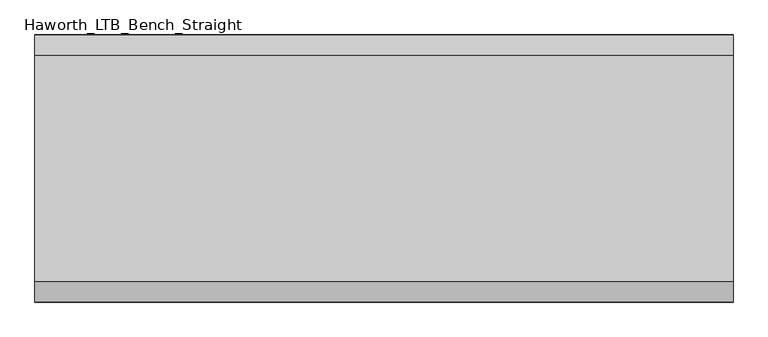
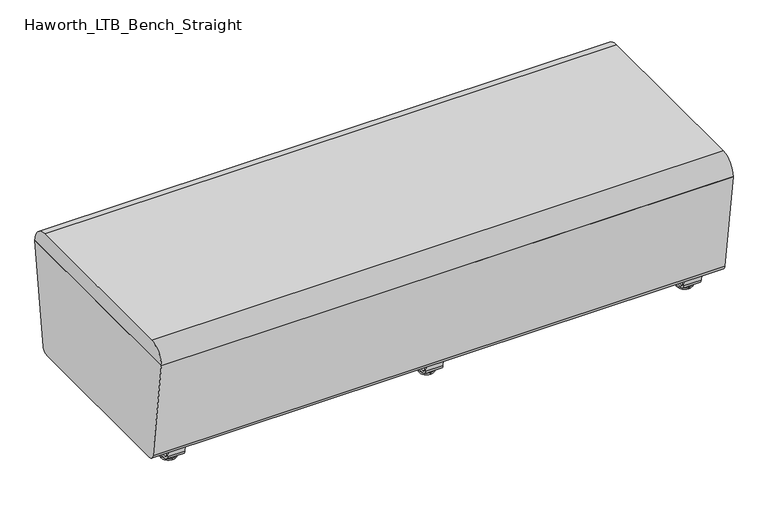
"""IFC4 building model written with IfcOpenShell, lengths in millimetres: furniture geometry, Haworth_LTB_Bench_Straight."""

from ifc_helpers import new_model, si_unit, point, frame, frame_2d, origin, place, context, project, spatial, polyline, circle_curve, ellipse_curve, trimmed, segment, composite_curve, outline, extrude, source, transform, mapped, element, save
from ifc_brep_helpers import plane_surface, cylinder_surface, revolved_surface, advanced_brep


def haworth_ltb_bench_straight_dc7d2ade(model_context):
    return source(origin(), model_context, "Body", "SolidModel", [
        advanced_brep(
        [(0.0, -211.0425052, 7.8133431), (0.0, -227.0355515, 7.8133431), (0.0, -223.8015284, 7.8133431), (0.0, -214.2765284, 7.8133431), (0.0, -197.1001513, 4.0775), (0.0, -240.9779054, 4.0775), (0.0, -197.5107026, 0.0), (0.0, -240.5673542, 0.0), (0.0, -219.0390284, 0.0), (0.0, -214.2765284, 50.0000004), (0.0, -223.8015284, 50.0000004), (0.0, -219.0390284, 50.0000004)],
        [
            (0, 1, circle_curve(frame((0.0, -219.0390284, 7.8133431), z_axis=(0.0, 0.0, 1.0), x_axis=(0.0, -1.0, 0.0)), 7.9965232)),
            (1, 2),
            (2, 3, circle_curve(frame((0.0, -219.0390284, 7.8133431), z_axis=(0.0, 0.0, -1.0), x_axis=(0.0, -1.0, 0.0)), 4.7625)),
            (3, 0),
            (1, 0, circle_curve(frame((0.0, -219.0390284, 7.8133431), z_axis=(0.0, 0.0, 1.0), x_axis=(0.0, -1.0, 0.0)), 7.9965232)),
            (3, 2, circle_curve(frame((0.0, -219.0390284, 7.8133431), z_axis=(0.0, 0.0, -1.0), x_axis=(0.0, -1.0, 0.0)), 4.7625)),
            (4, 5, circle_curve(frame((0.0, -219.0390284, 4.0775), z_axis=(0.0, 0.0, 1.0), x_axis=(0.0, -1.0, 0.0)), 21.9388771)),
            (5, 1),
            (0, 4),
            (5, 4, circle_curve(frame((0.0, -219.0390284, 4.0775), z_axis=(0.0, 0.0, 1.0), x_axis=(0.0, -1.0, 0.0)), 21.9388771)),
            (6, 7, circle_curve(frame((0.0, -219.0390284, 0.0), z_axis=(0.0, 0.0, 1.0), x_axis=(0.0, -1.0, 0.0)), 21.5283258)),
            (7, 5, circle_curve(frame((0.0, -240.4405822, 2.0721829), z_axis=(-1.0, 0.0, 0.0), x_axis=(0.0, 1.0, 0.0)), 2.0760571)),
            (4, 6, circle_curve(frame((0.0, -197.6374745, 2.0721829), z_axis=(-1.0, 0.0, 0.0), x_axis=(0.0, -1.0, 0.0)), 2.0760571)),
            (7, 6, circle_curve(frame((0.0, -219.0390284, 0.0), z_axis=(0.0, 0.0, 1.0), x_axis=(0.0, -1.0, 0.0)), 21.5283258)),
            (8, 7),
            (6, 8),
            (9, 10, circle_curve(frame((0.0, -219.0390284, 50.0000004), z_axis=(0.0, 0.0, 1.0), x_axis=(0.0, -1.0, 0.0)), 4.7625)),
            (10, 11),
            (11, 9),
            (10, 9, circle_curve(frame((0.0, -219.0390284, 50.0000004), z_axis=(0.0, 0.0, 1.0), x_axis=(0.0, -1.0, 0.0)), 4.7625)),
            (2, 10),
            (9, 3),
        ],
        [
            plane_surface(frame((0.0, -219.0390284, 7.8133431), z_axis=(0.0, 0.0, 1.0), x_axis=(0.0, -1.0, 0.0))),
            revolved_surface(polyline([(0.0, -227.0355515, 7.8133431), (0.0, -240.9779054, 4.0775)]), (0.0, -219.0390284, 0.0), (0.0, 0.0, -1.0)),
            revolved_surface(trimmed(ellipse_curve(frame((0.0, -240.4405822, 2.0721829), z_axis=(1.0, 0.0, 0.0), x_axis=(0.0, 1.0, 0.0)), 2.0760571, 2.0760571), [point((0.0, -240.9779054, 4.0775))], [point((0.0, -240.5673542, 0.0))], True, "CARTESIAN"), (0.0, -219.0390284, 0.0), (0.0, 0.0, -1.0)),
            plane_surface(frame((0.0, -219.0390284, 0.0), z_axis=(0.0, 0.0, -1.0), x_axis=(0.0, -1.0, 0.0))),
            plane_surface(frame((0.0, -219.0390284, 50.0000004), z_axis=(0.0, 0.0, 1.0), x_axis=(0.0, -1.0, 0.0))),
            cylinder_surface(frame((0.0, -219.0390284, 0.0), z_axis=(0.0, 0.0, -1.0), x_axis=(0.0, -1.0, 0.0)), 4.7625),
        ],
        [
            (0, [[1, 2, 3, 4]]),
            (0, [[5, -4, 6, -2]]),
            (1, [[7, 8, -1, 9]]),
            (1, [[10, -9, -5, -8]]),
            (2, [[11, 12, -7, 13]]),
            (2, [[14, -13, -10, -12]]),
            (3, [[15, -11, 16]]),
            (3, [[-16, -14, -15]]),
            (4, [[17, 18, 19]]),
            (4, [[20, -19, -18]]),
            (5, [[-3, 21, -17, 22]]),
            (5, [[-6, -22, -20, -21]]),
        ],
    ),
        advanced_brep(
        [(0.0, 214.2765284, 7.8133431), (0.0, 223.8015284, 7.8133431), (0.0, 227.0355515, 7.8133431), (0.0, 211.0425052, 7.8133431), (0.0, 240.9779054, 4.0775), (0.0, 197.1001513, 4.0775), (0.0, 240.5673542, 0.0), (0.0, 197.5107026, 0.0), (0.0, 219.0390284, 0.0), (0.0, 219.0390284, 50.0000004), (0.0, 223.8015284, 50.0000004), (0.0, 214.2765284, 50.0000004)],
        [
            (0, 1, circle_curve(frame((0.0, 219.0390284, 7.8133431), z_axis=(0.0, 0.0, -1.0), x_axis=(0.0, 1.0, 0.0)), 4.7625)),
            (1, 2),
            (2, 3, circle_curve(frame((0.0, 219.0390284, 7.8133431), z_axis=(0.0, 0.0, 1.0), x_axis=(0.0, 1.0, 0.0)), 7.9965232)),
            (3, 0),
            (1, 0, circle_curve(frame((0.0, 219.0390284, 7.8133431), z_axis=(0.0, 0.0, -1.0), x_axis=(0.0, 1.0, 0.0)), 4.7625)),
            (3, 2, circle_curve(frame((0.0, 219.0390284, 7.8133431), z_axis=(0.0, 0.0, 1.0), x_axis=(0.0, 1.0, 0.0)), 7.9965232)),
            (2, 4),
            (4, 5, circle_curve(frame((0.0, 219.0390284, 4.0775), z_axis=(0.0, 0.0, 1.0), x_axis=(0.0, 1.0, 0.0)), 21.9388771)),
            (5, 3),
            (5, 4, circle_curve(frame((0.0, 219.0390284, 4.0775), z_axis=(0.0, 0.0, 1.0), x_axis=(0.0, 1.0, 0.0)), 21.9388771)),
            (4, 6, circle_curve(frame((0.0, 240.4405822, 2.0721829), z_axis=(-1.0, 0.0, 0.0), x_axis=(0.0, -1.0, 0.0)), 2.0760571)),
            (6, 7, circle_curve(frame((0.0, 219.0390284, 0.0), z_axis=(0.0, 0.0, 1.0), x_axis=(0.0, 1.0, 0.0)), 21.5283258)),
            (7, 5, circle_curve(frame((0.0, 197.6374745, 2.0721829), z_axis=(-1.0, 0.0, 0.0), x_axis=(0.0, 1.0, 0.0)), 2.0760571)),
            (7, 6, circle_curve(frame((0.0, 219.0390284, 0.0), z_axis=(0.0, 0.0, 1.0), x_axis=(0.0, 1.0, 0.0)), 21.5283258)),
            (6, 8),
            (8, 7),
            (9, 10),
            (10, 11, circle_curve(frame((0.0, 219.0390284, 50.0000004), z_axis=(0.0, 0.0, 1.0), x_axis=(0.0, 1.0, 0.0)), 4.7625)),
            (11, 9),
            (11, 10, circle_curve(frame((0.0, 219.0390284, 50.0000004), z_axis=(0.0, 0.0, 1.0), x_axis=(0.0, 1.0, 0.0)), 4.7625)),
            (10, 1),
            (0, 11),
        ],
        [
            plane_surface(frame((0.0, 219.0390284, 7.8133431), z_axis=(0.0, 0.0, 1.0), x_axis=(0.0, 1.0, 0.0))),
            revolved_surface(polyline([(0.0, 240.9779054, 4.0775), (0.0, 227.0355515, 7.8133431)]), (0.0, 219.0390284, 0.0), (0.0, 0.0, 1.0)),
            revolved_surface(trimmed(ellipse_curve(frame((0.0, 240.4405822, 2.0721829), z_axis=(1.0, 0.0, 0.0), x_axis=(0.0, -1.0, 0.0)), 2.0760571, 2.0760571), [point((0.0, 240.5673542, 0.0))], [point((0.0, 240.9779054, 4.0775))], True, "CARTESIAN"), (0.0, 219.0390284, 0.0), (0.0, 0.0, 1.0)),
            plane_surface(frame((0.0, 219.0390284, 0.0), z_axis=(0.0, 0.0, -1.0), x_axis=(0.0, 1.0, 0.0))),
            plane_surface(frame((0.0, 219.0390284, 50.0000004), z_axis=(0.0, 0.0, 1.0), x_axis=(0.0, 1.0, 0.0))),
            cylinder_surface(frame((0.0, 219.0390284, 0.0), z_axis=(0.0, 0.0, 1.0), x_axis=(0.0, 1.0, 0.0)), 4.7625),
        ],
        [
            (0, [[1, 2, 3, 4]]),
            (0, [[5, -4, 6, -2]]),
            (1, [[-3, 7, 8, 9]]),
            (1, [[-6, -9, 10, -7]]),
            (2, [[-8, 11, 12, 13]]),
            (2, [[-10, -13, 14, -11]]),
            (3, [[-12, 15, 16]]),
            (3, [[-14, -16, -15]]),
            (4, [[17, 18, 19]]),
            (4, [[-19, 20, -17]]),
            (5, [[-18, 21, -1, 22]]),
            (5, [[-20, -22, -5, -21]]),
        ],
    ),
        extrude(outline(composite_curve([segment(polyline([(264.8158944, 62.9950557), (259.8853496, 27.9124042)]), True, "CONTINUOUS"), segment(trimmed(circle_curve(frame_2d((245.0313276, 30.0000007)), 15.000001), [point((259.8853496, 27.9124042))], [point((245.0313276, 14.9999997))], False, "CARTESIAN"), True, "CONTINUOUS"), segment(polyline([(245.0313276, 14.9999997), (-245.0313276, 14.9999997)]), True, "CONTINUOUS"), segment(trimmed(circle_curve(frame_2d((-245.0313276, 30.0000007)), 15.000001), [point((-245.0313276, 14.9999997))], [point((-259.8853496, 27.9124042))], False, "CARTESIAN"), True, "CONTINUOUS"), segment(polyline([(-259.8853496, 27.9124042), (-264.8158944, 62.9950557), (-259.1812615, 63.7869505), (-254.2507241, 28.7043023)]), True, "CONTINUOUS"), segment(trimmed(circle_curve(frame_2d((-245.0313262, 30.0000023)), 9.310002), [point((-254.2507241, 28.7043023))], [point((-245.0313262, 20.6900003))], True, "CARTESIAN"), True, "CONTINUOUS"), segment(polyline([(-245.0313262, 20.6900003), (245.0313262, 20.6900003)]), True, "CONTINUOUS"), segment(trimmed(circle_curve(frame_2d((245.0313262, 30.0000023)), 9.310002), [point((245.0313262, 20.6900003))], [point((254.2507241, 28.7043023))], True, "CARTESIAN"), True, "CONTINUOUS"), segment(polyline([(254.2507241, 28.7043023), (259.1812615, 63.7869505), (264.8158944, 62.9950557)]), True, "CONTINUOUS")], self_intersect=False)), frame((-25.4, 0.0, 0.0), z_axis=(1.0, 0.0, 0.0), x_axis=(0.0, 1.0, 0.0)), (0.0, 0.0, 1.0), 50.8),
        advanced_brep(
        [(768.4045358, -211.0425052, 7.8133431), (768.4045358, -227.0355515, 7.8133431), (768.4045358, -223.8015284, 7.8133431), (768.4045358, -214.2765284, 7.8133431), (768.4045358, -197.1001513, 4.0775), (768.4045358, -240.9779054, 4.0775), (768.4045358, -197.5107026, 0.0), (768.4045358, -240.5673542, 0.0), (768.4045358, -219.0390284, 0.0), (768.4045358, -214.2765284, 50.0000004), (768.4045358, -223.8015284, 50.0000004), (768.4045358, -219.0390284, 50.0000004)],
        [
            (0, 1, circle_curve(frame((768.4045358, -219.0390284, 7.8133431), z_axis=(0.0, 0.0, 1.0), x_axis=(0.0, -1.0, 0.0)), 7.9965232)),
            (1, 2),
            (2, 3, circle_curve(frame((768.4045358, -219.0390284, 7.8133431), z_axis=(0.0, 0.0, -1.0), x_axis=(0.0, -1.0, 0.0)), 4.7625)),
            (3, 0),
            (1, 0, circle_curve(frame((768.4045358, -219.0390284, 7.8133431), z_axis=(0.0, 0.0, 1.0), x_axis=(0.0, -1.0, 0.0)), 7.9965232)),
            (3, 2, circle_curve(frame((768.4045358, -219.0390284, 7.8133431), z_axis=(0.0, 0.0, -1.0), x_axis=(0.0, -1.0, 0.0)), 4.7625)),
            (4, 5, circle_curve(frame((768.4045358, -219.0390284, 4.0775), z_axis=(0.0, 0.0, 1.0), x_axis=(0.0, -1.0, 0.0)), 21.9388771)),
            (5, 1),
            (0, 4),
            (5, 4, circle_curve(frame((768.4045358, -219.0390284, 4.0775), z_axis=(0.0, 0.0, 1.0), x_axis=(0.0, -1.0, 0.0)), 21.9388771)),
            (6, 7, circle_curve(frame((768.4045358, -219.0390284, 0.0), z_axis=(0.0, 0.0, 1.0), x_axis=(0.0, -1.0, 0.0)), 21.5283258)),
            (7, 5, circle_curve(frame((768.4045358, -240.4405822, 2.0721829), z_axis=(-1.0, 0.0, 0.0), x_axis=(0.0, 1.0, 0.0)), 2.0760571)),
            (4, 6, circle_curve(frame((768.4045358, -197.6374745, 2.0721829), z_axis=(-1.0, 0.0, 0.0), x_axis=(0.0, -1.0, 0.0)), 2.0760571)),
            (7, 6, circle_curve(frame((768.4045358, -219.0390284, 0.0), z_axis=(0.0, 0.0, 1.0), x_axis=(0.0, -1.0, 0.0)), 21.5283258)),
            (8, 7),
            (6, 8),
            (9, 10, circle_curve(frame((768.4045358, -219.0390284, 50.0000004), z_axis=(0.0, 0.0, 1.0), x_axis=(0.0, -1.0, 0.0)), 4.7625)),
            (10, 11),
            (11, 9),
            (10, 9, circle_curve(frame((768.4045358, -219.0390284, 50.0000004), z_axis=(0.0, 0.0, 1.0), x_axis=(0.0, -1.0, 0.0)), 4.7625)),
            (2, 10),
            (9, 3),
        ],
        [
            plane_surface(frame((768.4045358, -219.0390284, 7.8133431), z_axis=(0.0, 0.0, 1.0), x_axis=(0.0, -1.0, 0.0))),
            revolved_surface(polyline([(768.4045358, -227.0355515, 7.8133431), (768.4045358, -240.9779054, 4.0775)]), (768.4045358, -219.0390284, 0.0), (0.0, 0.0, -1.0)),
            revolved_surface(trimmed(ellipse_curve(frame((768.4045358, -240.4405822, 2.0721829), z_axis=(1.0, 0.0, 0.0), x_axis=(0.0, 1.0, 0.0)), 2.0760571, 2.0760571), [point((768.4045358, -240.9779054, 4.0775))], [point((768.4045358, -240.5673542, 0.0))], True, "CARTESIAN"), (768.4045358, -219.0390284, 0.0), (0.0, 0.0, -1.0)),
            plane_surface(frame((768.4045358, -219.0390284, 0.0), z_axis=(0.0, 0.0, -1.0), x_axis=(0.0, -1.0, 0.0))),
            plane_surface(frame((768.4045358, -219.0390284, 50.0000004), z_axis=(0.0, 0.0, 1.0), x_axis=(0.0, -1.0, 0.0))),
            cylinder_surface(frame((768.4045358, -219.0390284, 0.0), z_axis=(0.0, 0.0, -1.0), x_axis=(0.0, -1.0, 0.0)), 4.7625),
        ],
        [
            (0, [[1, 2, 3, 4]]),
            (0, [[5, -4, 6, -2]]),
            (1, [[7, 8, -1, 9]]),
            (1, [[10, -9, -5, -8]]),
            (2, [[11, 12, -7, 13]]),
            (2, [[14, -13, -10, -12]]),
            (3, [[15, -11, 16]]),
            (3, [[-16, -14, -15]]),
            (4, [[17, 18, 19]]),
            (4, [[20, -19, -18]]),
            (5, [[-3, 21, -17, 22]]),
            (5, [[-6, -22, -20, -21]]),
        ],
    ),
        advanced_brep(
        [(768.4045358, 214.2765284, 7.8133431), (768.4045358, 223.8015284, 7.8133431), (768.4045358, 227.0355515, 7.8133431), (768.4045358, 211.0425052, 7.8133431), (768.4045358, 240.9779054, 4.0775), (768.4045358, 197.1001513, 4.0775), (768.4045358, 240.5673542, 0.0), (768.4045358, 197.5107026, 0.0), (768.4045358, 219.0390284, 0.0), (768.4045358, 219.0390284, 50.0000004), (768.4045358, 223.8015284, 50.0000004), (768.4045358, 214.2765284, 50.0000004)],
        [
            (0, 1, circle_curve(frame((768.4045358, 219.0390284, 7.8133431), z_axis=(0.0, 0.0, -1.0), x_axis=(0.0, 1.0, 0.0)), 4.7625)),
            (1, 2),
            (2, 3, circle_curve(frame((768.4045358, 219.0390284, 7.8133431), z_axis=(0.0, 0.0, 1.0), x_axis=(0.0, 1.0, 0.0)), 7.9965232)),
            (3, 0),
            (1, 0, circle_curve(frame((768.4045358, 219.0390284, 7.8133431), z_axis=(0.0, 0.0, -1.0), x_axis=(0.0, 1.0, 0.0)), 4.7625)),
            (3, 2, circle_curve(frame((768.4045358, 219.0390284, 7.8133431), z_axis=(0.0, 0.0, 1.0), x_axis=(0.0, 1.0, 0.0)), 7.9965232)),
            (2, 4),
            (4, 5, circle_curve(frame((768.4045358, 219.0390284, 4.0775), z_axis=(0.0, 0.0, 1.0), x_axis=(0.0, 1.0, 0.0)), 21.9388771)),
            (5, 3),
            (5, 4, circle_curve(frame((768.4045358, 219.0390284, 4.0775), z_axis=(0.0, 0.0, 1.0), x_axis=(0.0, 1.0, 0.0)), 21.9388771)),
            (4, 6, circle_curve(frame((768.4045358, 240.4405822, 2.0721829), z_axis=(-1.0, 0.0, 0.0), x_axis=(0.0, -1.0, 0.0)), 2.0760571)),
            (6, 7, circle_curve(frame((768.4045358, 219.0390284, 0.0), z_axis=(0.0, 0.0, 1.0), x_axis=(0.0, 1.0, 0.0)), 21.5283258)),
            (7, 5, circle_curve(frame((768.4045358, 197.6374745, 2.0721829), z_axis=(-1.0, 0.0, 0.0), x_axis=(0.0, 1.0, 0.0)), 2.0760571)),
            (7, 6, circle_curve(frame((768.4045358, 219.0390284, 0.0), z_axis=(0.0, 0.0, 1.0), x_axis=(0.0, 1.0, 0.0)), 21.5283258)),
            (6, 8),
            (8, 7),
            (9, 10),
            (10, 11, circle_curve(frame((768.4045358, 219.0390284, 50.0000004), z_axis=(0.0, 0.0, 1.0), x_axis=(0.0, 1.0, 0.0)), 4.7625)),
            (11, 9),
            (11, 10, circle_curve(frame((768.4045358, 219.0390284, 50.0000004), z_axis=(0.0, 0.0, 1.0), x_axis=(0.0, 1.0, 0.0)), 4.7625)),
            (10, 1),
            (0, 11),
        ],
        [
            plane_surface(frame((768.4045358, 219.0390284, 7.8133431), z_axis=(0.0, 0.0, 1.0), x_axis=(0.0, 1.0, 0.0))),
            revolved_surface(polyline([(768.4045358, 240.9779054, 4.0775), (768.4045358, 227.0355515, 7.8133431)]), (768.4045358, 219.0390284, 0.0), (0.0, 0.0, 1.0)),
            revolved_surface(trimmed(ellipse_curve(frame((768.4045358, 240.4405822, 2.0721829), z_axis=(1.0, 0.0, 0.0), x_axis=(0.0, -1.0, 0.0)), 2.0760571, 2.0760571), [point((768.4045358, 240.5673542, 0.0))], [point((768.4045358, 240.9779054, 4.0775))], True, "CARTESIAN"), (768.4045358, 219.0390284, 0.0), (0.0, 0.0, 1.0)),
            plane_surface(frame((768.4045358, 219.0390284, 0.0), z_axis=(0.0, 0.0, -1.0), x_axis=(0.0, 1.0, 0.0))),
            plane_surface(frame((768.4045358, 219.0390284, 50.0000004), z_axis=(0.0, 0.0, 1.0), x_axis=(0.0, 1.0, 0.0))),
            cylinder_surface(frame((768.4045358, 219.0390284, 0.0), z_axis=(0.0, 0.0, 1.0), x_axis=(0.0, 1.0, 0.0)), 4.7625),
        ],
        [
            (0, [[1, 2, 3, 4]]),
            (0, [[5, -4, 6, -2]]),
            (1, [[-3, 7, 8, 9]]),
            (1, [[-6, -9, 10, -7]]),
            (2, [[-8, 11, 12, 13]]),
            (2, [[-10, -13, 14, -11]]),
            (3, [[-12, 15, 16]]),
            (3, [[-14, -16, -15]]),
            (4, [[17, 18, 19]]),
            (4, [[-19, 20, -17]]),
            (5, [[-18, 21, -1, 22]]),
            (5, [[-20, -22, -5, -21]]),
        ],
    ),
        extrude(outline(composite_curve([segment(polyline([(264.8158944, 62.9950557), (259.8853496, 27.9124042)]), True, "CONTINUOUS"), segment(trimmed(circle_curve(frame_2d((245.0313276, 30.0000007)), 15.000001), [point((259.8853496, 27.9124042))], [point((245.0313276, 14.9999997))], False, "CARTESIAN"), True, "CONTINUOUS"), segment(polyline([(245.0313276, 14.9999997), (-245.0313276, 14.9999997)]), True, "CONTINUOUS"), segment(trimmed(circle_curve(frame_2d((-245.0313276, 30.0000007)), 15.000001), [point((-245.0313276, 14.9999997))], [point((-259.8853496, 27.9124042))], False, "CARTESIAN"), True, "CONTINUOUS"), segment(polyline([(-259.8853496, 27.9124042), (-264.8158944, 62.9950557), (-259.1812615, 63.7869505), (-254.2507241, 28.7043023)]), True, "CONTINUOUS"), segment(trimmed(circle_curve(frame_2d((-245.0313262, 30.0000023)), 9.310002), [point((-254.2507241, 28.7043023))], [point((-245.0313262, 20.6900003))], True, "CARTESIAN"), True, "CONTINUOUS"), segment(polyline([(-245.0313262, 20.6900003), (245.0313262, 20.6900003)]), True, "CONTINUOUS"), segment(trimmed(circle_curve(frame_2d((245.0313262, 30.0000023)), 9.310002), [point((245.0313262, 20.6900003))], [point((254.2507241, 28.7043023))], True, "CARTESIAN"), True, "CONTINUOUS"), segment(polyline([(254.2507241, 28.7043023), (259.1812615, 63.7869505), (264.8158944, 62.9950557)]), True, "CONTINUOUS")], self_intersect=False)), frame((743.0045358, 0.0, 0.0), z_axis=(1.0, 0.0, 0.0), x_axis=(0.0, 1.0, 0.0)), (0.0, 0.0, 1.0), 50.8),
        advanced_brep(
        [(-768.4045358, -214.2765284, 7.8133431), (-768.4045358, -223.8015284, 7.8133431), (-768.4045358, -227.0355515, 7.8133431), (-768.4045358, -211.0425052, 7.8133431), (-768.4045358, -240.9779054, 4.0775), (-768.4045358, -197.1001513, 4.0775), (-768.4045358, -240.5673542, 0.0), (-768.4045358, -197.5107026, 0.0), (-768.4045358, -219.0390284, 0.0), (-768.4045358, -219.0390284, 50.0000004), (-768.4045358, -223.8015284, 50.0000004), (-768.4045358, -214.2765284, 50.0000004)],
        [
            (0, 1, circle_curve(frame((-768.4045358, -219.0390284, 7.8133431), z_axis=(0.0, 0.0, -1.0), x_axis=(0.0, -1.0, 0.0)), 4.7625)),
            (1, 2),
            (2, 3, circle_curve(frame((-768.4045358, -219.0390284, 7.8133431), z_axis=(0.0, 0.0, 1.0), x_axis=(0.0, -1.0, 0.0)), 7.9965232)),
            (3, 0),
            (1, 0, circle_curve(frame((-768.4045358, -219.0390284, 7.8133431), z_axis=(0.0, 0.0, -1.0), x_axis=(0.0, -1.0, 0.0)), 4.7625)),
            (3, 2, circle_curve(frame((-768.4045358, -219.0390284, 7.8133431), z_axis=(0.0, 0.0, 1.0), x_axis=(0.0, -1.0, 0.0)), 7.9965232)),
            (2, 4),
            (4, 5, circle_curve(frame((-768.4045358, -219.0390284, 4.0775), z_axis=(0.0, 0.0, 1.0), x_axis=(0.0, -1.0, 0.0)), 21.9388771)),
            (5, 3),
            (5, 4, circle_curve(frame((-768.4045358, -219.0390284, 4.0775), z_axis=(0.0, 0.0, 1.0), x_axis=(0.0, -1.0, 0.0)), 21.9388771)),
            (4, 6, circle_curve(frame((-768.4045358, -240.4405822, 2.0721829), z_axis=(1.0, 0.0, 0.0), x_axis=(0.0, 1.0, 0.0)), 2.0760571)),
            (6, 7, circle_curve(frame((-768.4045358, -219.0390284, 0.0), z_axis=(0.0, 0.0, 1.0), x_axis=(0.0, -1.0, 0.0)), 21.5283258)),
            (7, 5, circle_curve(frame((-768.4045358, -197.6374745, 2.0721829), z_axis=(1.0, 0.0, 0.0), x_axis=(0.0, -1.0, 0.0)), 2.0760571)),
            (7, 6, circle_curve(frame((-768.4045358, -219.0390284, 0.0), z_axis=(0.0, 0.0, 1.0), x_axis=(0.0, -1.0, 0.0)), 21.5283258)),
            (6, 8),
            (8, 7),
            (9, 10),
            (10, 11, circle_curve(frame((-768.4045358, -219.0390284, 50.0000004), z_axis=(0.0, 0.0, 1.0), x_axis=(0.0, -1.0, 0.0)), 4.7625)),
            (11, 9),
            (11, 10, circle_curve(frame((-768.4045358, -219.0390284, 50.0000004), z_axis=(0.0, 0.0, 1.0), x_axis=(0.0, -1.0, 0.0)), 4.7625)),
            (10, 1),
            (0, 11),
        ],
        [
            plane_surface(frame((-768.4045358, -219.0390284, 7.8133431), z_axis=(0.0, 0.0, 1.0), x_axis=(0.0, -1.0, 0.0))),
            revolved_surface(polyline([(-768.4045358, -240.9779054, 4.0775), (-768.4045358, -227.0355515, 7.8133431)]), (-768.4045358, -219.0390284, 0.0), (0.0, 0.0, 1.0)),
            revolved_surface(trimmed(ellipse_curve(frame((-768.4045358, -240.4405822, 2.0721829), z_axis=(-1.0, 0.0, 0.0), x_axis=(0.0, 1.0, 0.0)), 2.0760571, 2.0760571), [point((-768.4045358, -240.5673542, 0.0))], [point((-768.4045358, -240.9779054, 4.0775))], True, "CARTESIAN"), (-768.4045358, -219.0390284, 0.0), (0.0, 0.0, 1.0)),
            plane_surface(frame((-768.4045358, -219.0390284, 0.0), z_axis=(0.0, 0.0, -1.0), x_axis=(0.0, -1.0, 0.0))),
            plane_surface(frame((-768.4045358, -219.0390284, 50.0000004), z_axis=(0.0, 0.0, 1.0), x_axis=(0.0, -1.0, 0.0))),
            cylinder_surface(frame((-768.4045358, -219.0390284, 0.0), z_axis=(0.0, 0.0, 1.0), x_axis=(0.0, -1.0, 0.0)), 4.7625),
        ],
        [
            (0, [[1, 2, 3, 4]]),
            (0, [[5, -4, 6, -2]]),
            (1, [[-3, 7, 8, 9]]),
            (1, [[-6, -9, 10, -7]]),
            (2, [[-8, 11, 12, 13]]),
            (2, [[-10, -13, 14, -11]]),
            (3, [[-12, 15, 16]]),
            (3, [[-14, -16, -15]]),
            (4, [[17, 18, 19]]),
            (4, [[-19, 20, -17]]),
            (5, [[-18, 21, -1, 22]]),
            (5, [[-20, -22, -5, -21]]),
        ],
    ),
        advanced_brep(
        [(-768.4045358, 211.0425052, 7.8133431), (-768.4045358, 227.0355515, 7.8133431), (-768.4045358, 223.8015284, 7.8133431), (-768.4045358, 214.2765284, 7.8133431), (-768.4045358, 197.1001513, 4.0775), (-768.4045358, 240.9779054, 4.0775), (-768.4045358, 197.5107026, 0.0), (-768.4045358, 240.5673542, 0.0), (-768.4045358, 219.0390284, 0.0), (-768.4045358, 214.2765284, 50.0000004), (-768.4045358, 223.8015284, 50.0000004), (-768.4045358, 219.0390284, 50.0000004)],
        [
            (0, 1, circle_curve(frame((-768.4045358, 219.0390284, 7.8133431), z_axis=(0.0, 0.0, 1.0), x_axis=(0.0, 1.0, 0.0)), 7.9965232)),
            (1, 2),
            (2, 3, circle_curve(frame((-768.4045358, 219.0390284, 7.8133431), z_axis=(0.0, 0.0, -1.0), x_axis=(0.0, 1.0, 0.0)), 4.7625)),
            (3, 0),
            (1, 0, circle_curve(frame((-768.4045358, 219.0390284, 7.8133431), z_axis=(0.0, 0.0, 1.0), x_axis=(0.0, 1.0, 0.0)), 7.9965232)),
            (3, 2, circle_curve(frame((-768.4045358, 219.0390284, 7.8133431), z_axis=(0.0, 0.0, -1.0), x_axis=(0.0, 1.0, 0.0)), 4.7625)),
            (4, 5, circle_curve(frame((-768.4045358, 219.0390284, 4.0775), z_axis=(0.0, 0.0, 1.0), x_axis=(0.0, 1.0, 0.0)), 21.9388771)),
            (5, 1),
            (0, 4),
            (5, 4, circle_curve(frame((-768.4045358, 219.0390284, 4.0775), z_axis=(0.0, 0.0, 1.0), x_axis=(0.0, 1.0, 0.0)), 21.9388771)),
            (6, 7, circle_curve(frame((-768.4045358, 219.0390284, 0.0), z_axis=(0.0, 0.0, 1.0), x_axis=(0.0, 1.0, 0.0)), 21.5283258)),
            (7, 5, circle_curve(frame((-768.4045358, 240.4405822, 2.0721829), z_axis=(1.0, 0.0, 0.0), x_axis=(0.0, -1.0, 0.0)), 2.0760571)),
            (4, 6, circle_curve(frame((-768.4045358, 197.6374745, 2.0721829), z_axis=(1.0, 0.0, 0.0), x_axis=(0.0, 1.0, 0.0)), 2.0760571)),
            (7, 6, circle_curve(frame((-768.4045358, 219.0390284, 0.0), z_axis=(0.0, 0.0, 1.0), x_axis=(0.0, 1.0, 0.0)), 21.5283258)),
            (8, 7),
            (6, 8),
            (9, 10, circle_curve(frame((-768.4045358, 219.0390284, 50.0000004), z_axis=(0.0, 0.0, 1.0), x_axis=(0.0, 1.0, 0.0)), 4.7625)),
            (10, 11),
            (11, 9),
            (10, 9, circle_curve(frame((-768.4045358, 219.0390284, 50.0000004), z_axis=(0.0, 0.0, 1.0), x_axis=(0.0, 1.0, 0.0)), 4.7625)),
            (2, 10),
            (9, 3),
        ],
        [
            plane_surface(frame((-768.4045358, 219.0390284, 7.8133431), z_axis=(0.0, 0.0, 1.0), x_axis=(0.0, 1.0, 0.0))),
            revolved_surface(polyline([(-768.4045358, 227.0355515, 7.8133431), (-768.4045358, 240.9779054, 4.0775)]), (-768.4045358, 219.0390284, 0.0), (0.0, 0.0, -1.0)),
            revolved_surface(trimmed(ellipse_curve(frame((-768.4045358, 240.4405822, 2.0721829), z_axis=(-1.0, 0.0, 0.0), x_axis=(0.0, -1.0, 0.0)), 2.0760571, 2.0760571), [point((-768.4045358, 240.9779054, 4.0775))], [point((-768.4045358, 240.5673542, 0.0))], True, "CARTESIAN"), (-768.4045358, 219.0390284, 0.0), (0.0, 0.0, -1.0)),
            plane_surface(frame((-768.4045358, 219.0390284, 0.0), z_axis=(0.0, 0.0, -1.0), x_axis=(0.0, 1.0, 0.0))),
            plane_surface(frame((-768.4045358, 219.0390284, 50.0000004), z_axis=(0.0, 0.0, 1.0), x_axis=(0.0, 1.0, 0.0))),
            cylinder_surface(frame((-768.4045358, 219.0390284, 0.0), z_axis=(0.0, 0.0, -1.0), x_axis=(0.0, 1.0, 0.0)), 4.7625),
        ],
        [
            (0, [[1, 2, 3, 4]]),
            (0, [[5, -4, 6, -2]]),
            (1, [[7, 8, -1, 9]]),
            (1, [[10, -9, -5, -8]]),
            (2, [[11, 12, -7, 13]]),
            (2, [[14, -13, -10, -12]]),
            (3, [[15, -11, 16]]),
            (3, [[-16, -14, -15]]),
            (4, [[17, 18, 19]]),
            (4, [[20, -19, -18]]),
            (5, [[-3, 21, -17, 22]]),
            (5, [[-6, -22, -20, -21]]),
        ],
    ),
        extrude(outline(composite_curve([segment(polyline([(264.8158944, 62.9950557), (259.8853496, 27.9124042)]), True, "CONTINUOUS"), segment(trimmed(circle_curve(frame_2d((245.0313276, 30.0000007)), 15.000001), [point((259.8853496, 27.9124042))], [point((245.0313276, 14.9999997))], False, "CARTESIAN"), True, "CONTINUOUS"), segment(polyline([(245.0313276, 14.9999997), (-245.0313276, 14.9999997)]), True, "CONTINUOUS"), segment(trimmed(circle_curve(frame_2d((-245.0313276, 30.0000007)), 15.000001), [point((-245.0313276, 14.9999997))], [point((-259.8853496, 27.9124042))], False, "CARTESIAN"), True, "CONTINUOUS"), segment(polyline([(-259.8853496, 27.9124042), (-264.8158944, 62.9950557), (-259.1812615, 63.7869505), (-254.2507241, 28.7043023)]), True, "CONTINUOUS"), segment(trimmed(circle_curve(frame_2d((-245.0313262, 30.0000023)), 9.310002), [point((-254.2507241, 28.7043023))], [point((-245.0313262, 20.6900003))], True, "CARTESIAN"), True, "CONTINUOUS"), segment(polyline([(-245.0313262, 20.6900003), (245.0313262, 20.6900003)]), True, "CONTINUOUS"), segment(trimmed(circle_curve(frame_2d((245.0313262, 30.0000023)), 9.310002), [point((245.0313262, 20.6900003))], [point((254.2507241, 28.7043023))], True, "CARTESIAN"), True, "CONTINUOUS"), segment(polyline([(254.2507241, 28.7043023), (259.1812615, 63.7869505), (264.8158944, 62.9950557)]), True, "CONTINUOUS")], self_intersect=False)), frame((-793.8045358, 0.0, 0.0), z_axis=(1.0, 0.0, 0.0), x_axis=(0.0, 1.0, 0.0)), (0.0, 0.0, 1.0), 50.8),
        extrude(outline(composite_curve([segment(trimmed(circle_curve(frame_2d((264.0390314, 68.9999996)), 18.9999992), [point((282.8541239, 66.3557108))], [point((264.0390314, 50.0000004))], False, "CARTESIAN"), True, "CONTINUOUS"), segment(polyline([(264.0390314, 50.0000004), (-264.0390314, 50.0000004)]), True, "CONTINUOUS"), segment(trimmed(circle_curve(frame_2d((-264.0390314, 68.9999996)), 18.9999992), [point((-264.0390314, 50.0000004))], [point((-282.8541239, 66.3557108))], False, "CARTESIAN"), True, "CONTINUOUS"), segment(polyline([(-282.8541239, 66.3557108), (-326.1820603, 374.65), (326.1820603, 374.65), (282.8541239, 66.3557108)]), True, "CONTINUOUS")], self_intersect=False)), frame((-850.9, 0.0, 0.0), z_axis=(1.0, 0.0, 0.0), x_axis=(0.0, 1.0, 0.0)), (0.0, 0.0, 1.0), 1701.8),
        extrude(outline(composite_curve([segment(trimmed(circle_curve(frame_2d((276.2364582, 375.0527771)), 49.9472261), [point((276.2364583, 425.0000032))], [point((326.1820603, 374.65))], False, "CARTESIAN"), True, "CONTINUOUS"), segment(polyline([(326.1820603, 374.65), (-326.1820603, 374.65)]), True, "CONTINUOUS"), segment(trimmed(circle_curve(frame_2d((-276.2364582, 375.0527771)), 49.9472261), [point((-326.1820603, 374.65))], [point((-276.2364582, 425.0000032))], False, "CARTESIAN"), True, "CONTINUOUS"), segment(polyline([(-276.2364582, 425.0000032), (276.2364583, 425.0000032)]), True, "CONTINUOUS")], self_intersect=False)), frame((-850.9, 0.0, 0.0), z_axis=(1.0, 0.0, 0.0), x_axis=(0.0, 1.0, 0.0)), (0.0, 0.0, 1.0), 1701.8),
    ])


if __name__ == "__main__":
    model = new_model("IFC4")
    model_context = context("Model", 3, world=origin())
    ifc_project = project(units=[si_unit("LENGTHUNIT", "METRE", prefix="MILLI")], contexts=[model_context])
    site = spatial("IfcSite", under=ifc_project)
    building = spatial("IfcBuilding", under=site)
    placement = place(None, origin())
    haworth_ltb_bench_straight_shape = haworth_ltb_bench_straight_dc7d2ade(model_context)
    element("IfcFurniture", 1, ObjectType="Haworth_LTB_Bench_Straight", at=placement, inside=building, context=model_context, shape_type="MappedRepresentation", body=[
        mapped(haworth_ltb_bench_straight_shape, transform((0.0, 0.0, 0.0), x_axis=(1.0, 0.0, 0.0), y_axis=(0.0, 1.0, 0.0), z_axis=(0.0, 0.0, 1.0))),
    ])
    save(model, "model.ifc")
